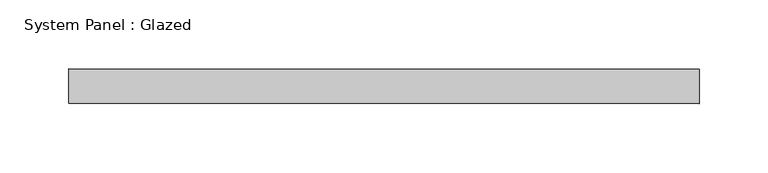
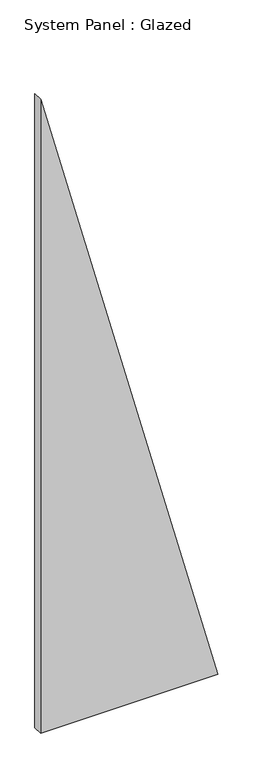
"""IFC4 building model written with IfcOpenShell, lengths in millimetres: plate geometry, System Panel : Glazed."""

from ifc_helpers import new_model, si_unit, frame, origin, place, context, project, spatial, polyline, outline, extrude, source, transform, mapped, element, save


def system_panel_glazed_c39d566c(model_context):
    return source(origin(), model_context, "Body", "SweptSolid", [
        extrude(outline(polyline([(0.0, -228.5714284), (0.0, 228.5714284), (1729.7297286, -228.5714284), (0.0, -228.5714284)])), frame((0.0, 24.5, 0.0), z_axis=(0.0, 1.0, 0.0), x_axis=(0.0, 0.0, 1.0)), (0.0, 0.0, 1.0), 25.0),
    ])


if __name__ == "__main__":
    model = new_model("IFC4")
    model_context = context("Model", 3, world=origin())
    ifc_project = project(units=[si_unit("LENGTHUNIT", "METRE", prefix="MILLI")], contexts=[model_context])
    site = spatial("IfcSite", under=ifc_project)
    building = spatial("IfcBuilding", under=site)
    placement = place(None, origin())
    system_panel_glazed_shape = system_panel_glazed_c39d566c(model_context)
    element("IfcPlate", 1, ObjectType="System Panel : Glazed", at=placement, inside=building, context=model_context, shape_type="MappedRepresentation", body=[
        mapped(system_panel_glazed_shape, transform((0.0, 0.0, 0.0), x_axis=(1.0, 0.0, 0.0), y_axis=(0.0, 1.0, 0.0), z_axis=(0.0, 0.0, 1.0))),
    ])
    save(model, "model.ifc")
